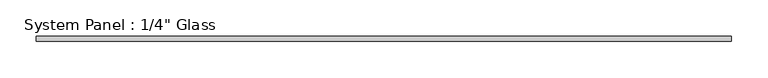
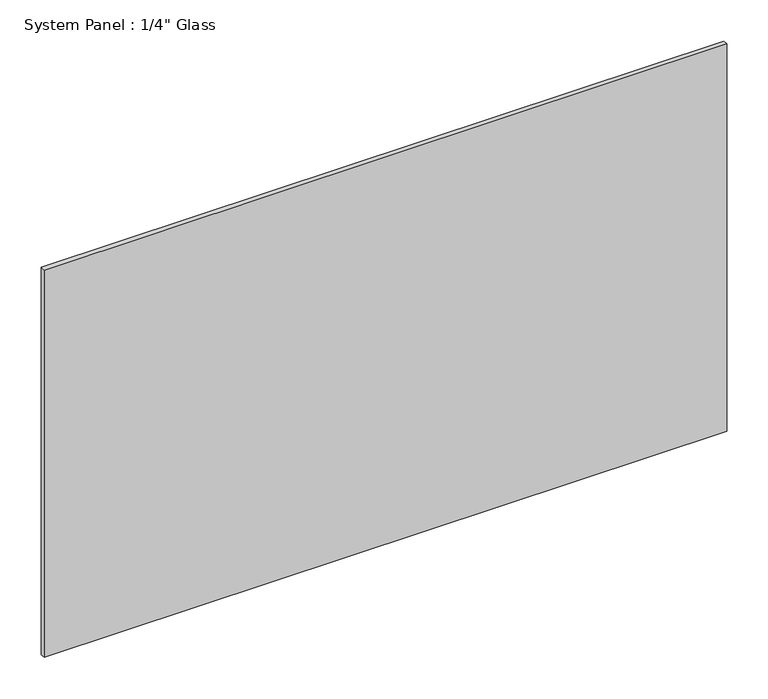
"""IFC4 building model written with IfcOpenShell, lengths in millimetres: plate geometry."""

from ifc_helpers import new_model, si_unit, origin, origin_with_axes, place, context, project, spatial, polyline, outline, extrude, source, transform, mapped, element, save


def plate_4e140b1d(model_context):
    return source(origin(), model_context, "Body", "SweptSolid", [
        extrude(outline(polyline([(476.25, -3.175), (-476.25, -3.175), (-476.25, 3.175), (476.25, 3.175), (476.25, -3.175)])), origin_with_axes(), (0.0, 0.0, 1.0), 571.5),
    ])


if __name__ == "__main__":
    model = new_model("IFC4")
    model_context = context("Model", 3, world=origin())
    ifc_project = project(units=[si_unit("LENGTHUNIT", "METRE", prefix="MILLI")], contexts=[model_context])
    site = spatial("IfcSite", under=ifc_project)
    building = spatial("IfcBuilding", under=site)
    placement = place(None, origin())
    plate_shape = plate_4e140b1d(model_context)
    element("IfcPlate", 1, ObjectType="System Panel : 1/4\" Glass", at=placement, inside=building, context=model_context, shape_type="MappedRepresentation", body=[
        mapped(plate_shape, transform((0.0, 0.0, 0.0), x_axis=(1.0, 0.0, 0.0), y_axis=(0.0, 1.0, 0.0), z_axis=(0.0, 0.0, 1.0))),
    ])
    save(model, "model.ifc")
